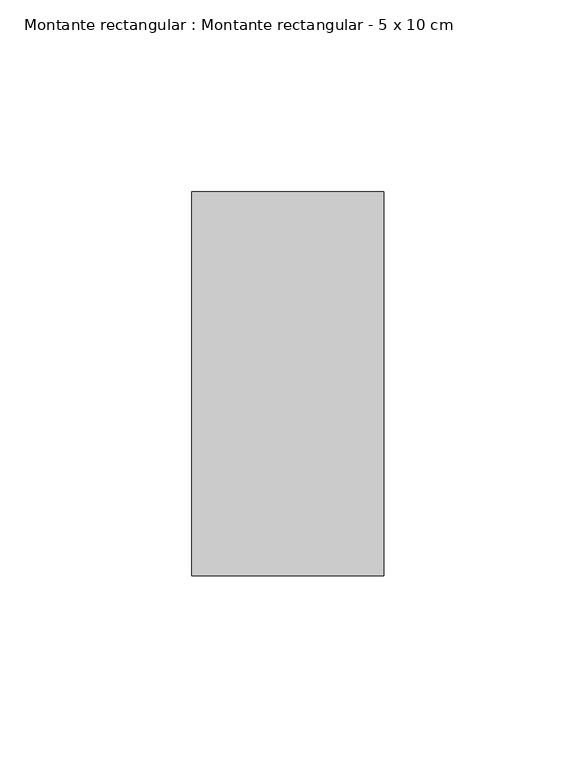
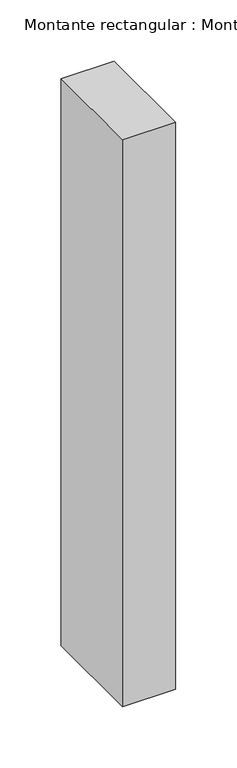
"""IFC4 building model written with IfcOpenShell, lengths in millimetres: member geometry, Montante rectangular : Montante rectangular - 5 x 10 cm."""

import ifcopenshell
import ifcopenshell.guid

model = None  # the IFC model being written
_history = None  # IfcOwnerHistory: only IFC2X3 demands one
_inside = {}  # id of a spatial element -> (the spatial element, [elements in it])
_under = {}  # id of a project, library or spatial element -> (it, [spatial elements below it])
_declared = {}  # id of a project -> (the project, [libraries it declares])
_typed = {}  # id of a type object -> (the type object, [elements of that type])
_made_of = {}  # id of a material, layer set ... -> (it, [elements and type objects made of it])


def new_model(schema):
    """Start an empty IFC model of exactly this schema.

    Asked for "IFC4X3", IfcOpenShell would pick the latest addendum, in which some entities
    have other attributes; the version numbers below select the first issue.
    IFC2X3 requires an IfcOwnerHistory on every rooted entity: one is made here for all.
    """
    global model, _history
    if schema == "IFC4X3":
        model = ifcopenshell.file(schema_version=(4, 3, 0, 0))
    else:
        model = ifcopenshell.file(schema=schema)
    _inside.clear()
    _under.clear()
    _declared.clear()
    _typed.clear()
    _made_of.clear()
    _history = None
    if model.schema == "IFC2X3":
        org = make("IfcOrganization", Name="unknown")
        user = make(
            "IfcPersonAndOrganization",
            ThePerson=make("IfcPerson", FamilyName="unknown"),
            TheOrganization=org,
        )
        app = make(
            "IfcApplication",
            ApplicationDeveloper=org,
            Version="unknown",
            ApplicationFullName="unknown",
            ApplicationIdentifier="unknown",
        )
        _history = make(
            "IfcOwnerHistory",
            OwningUser=user,
            OwningApplication=app,
            ChangeAction="ADDED",
            CreationDate=0,
        )
    return model


def make(cls, **values):
    """One entity of the class cls with the attributes given. An attribute that is None is left unset."""
    return model.create_entity(
        cls, **{name: value for name, value in values.items() if value is not None}
    )


def rooted(cls, **values):
    """An entity with a GlobalId (a new one), such as an element, a storey or a relation."""
    return make(cls, GlobalId=ifcopenshell.guid.new(), OwnerHistory=_history, **values)


def si_unit(unit_type, name, prefix=None):
    """IfcSIUnit, for example si_unit("LENGTHUNIT", "METRE", prefix="MILLI")."""
    return make("IfcSIUnit", UnitType=unit_type, Prefix=prefix, Name=name)


def assignment(units):
    """IfcUnitAssignment: the units of a project."""
    return None if units is None else make("IfcUnitAssignment", Units=units)


def point(xyz):
    """IfcCartesianPoint."""
    return None if xyz is None else make("IfcCartesianPoint", Coordinates=xyz)


def direction(xyz):
    """IfcDirection."""
    return None if xyz is None else make("IfcDirection", DirectionRatios=xyz)


def frame(location, z_axis=None, x_axis=None):
    """IfcAxis2Placement3D, a coordinate frame: its origin and axes. An axis left out is left unset."""
    return make(
        "IfcAxis2Placement3D",
        Location=point(location),
        Axis=direction(z_axis),
        RefDirection=direction(x_axis),
    )


def origin():
    """The frame at (0, 0, 0) with its axes left unset."""
    return frame((0.0, 0.0, 0.0))


def place(relative_to, where):
    """IfcLocalPlacement: puts the frame where relative to a parent placement (None: the world)."""
    return make(
        "IfcLocalPlacement", PlacementRelTo=relative_to, RelativePlacement=where
    )


def context(
    kind, dimensions, precision=None, world=None, true_north=None, identifier=None
):
    """IfcGeometricRepresentationContext, for example the 3D "Model" context."""
    return make(
        "IfcGeometricRepresentationContext",
        ContextIdentifier=identifier,
        ContextType=kind,
        CoordinateSpaceDimension=dimensions,
        Precision=precision,
        WorldCoordinateSystem=world,
        TrueNorth=true_north,
    )


def project(units=None, contexts=None):
    """IfcProject with its units and contexts."""
    return rooted(
        "IfcProject",
        Name="project",
        RepresentationContexts=contexts,
        UnitsInContext=assignment(units),
    )


def spatial(cls, under=None, at=None, **own):
    """A site, building, storey or space (cls), placed at a placement, below another one or the project."""
    s = rooted(cls, ObjectPlacement=at, **own)
    if under is not None:
        _under.setdefault(under.id(), (under, []))[1].append(s)
    return s


def polyline(points):
    """IfcPolyline through the points."""
    return make("IfcPolyline", Points=[point(p) for p in points])


def outline(outer, holes=None, kind="AREA"):
    """IfcArbitraryClosedProfileDef: a profile drawn as a closed curve; with holes, ...WithVoids."""
    if holes is None:
        return make("IfcArbitraryClosedProfileDef", ProfileType=kind, OuterCurve=outer)
    return make(
        "IfcArbitraryProfileDefWithVoids",
        ProfileType=kind,
        OuterCurve=outer,
        InnerCurves=holes,
    )


def extrude(swept, where, along, depth):
    """IfcExtrudedAreaSolid: the profile swept, set in the frame where, extruded along a direction by depth."""
    return make(
        "IfcExtrudedAreaSolid",
        SweptArea=swept,
        Position=where,
        ExtrudedDirection=direction(along),
        Depth=depth,
    )


def shape(context_of_items, identifier, shape_type, items):
    """IfcShapeRepresentation: the items that make up one representation, for example the "Body"."""
    return make(
        "IfcShapeRepresentation",
        ContextOfItems=context_of_items,
        RepresentationIdentifier=identifier,
        RepresentationType=shape_type,
        Items=items,
    )


def source(mapping_origin, context_of_items, identifier, shape_type, items):
    """IfcRepresentationMap: a shape defined once, which mapped items show again and again."""
    return make(
        "IfcRepresentationMap",
        MappingOrigin=mapping_origin,
        MappedRepresentation=shape(context_of_items, identifier, shape_type, items),
    )


def transform(
    local_origin,
    x_axis=None,
    y_axis=None,
    z_axis=None,
    scale=None,
    scale2=None,
    scale3=None,
    uniform=True,
):
    """IfcCartesianTransformationOperator3D, or its non-uniform kind. x_axis, y_axis, z_axis: its Axis1, 2, 3."""
    if uniform:
        return make(
            "IfcCartesianTransformationOperator3D",
            Axis1=direction(x_axis),
            Axis2=direction(y_axis),
            LocalOrigin=point(local_origin),
            Scale=scale,
            Axis3=direction(z_axis),
        )
    return make(
        "IfcCartesianTransformationOperator3DnonUniform",
        Axis1=direction(x_axis),
        Axis2=direction(y_axis),
        LocalOrigin=point(local_origin),
        Scale=scale,
        Axis3=direction(z_axis),
        Scale2=scale2,
        Scale3=scale3,
    )


def mapped(mapping_source, mapping_target):
    """IfcMappedItem: shows the shape of a source again, moved by a transform."""
    return make(
        "IfcMappedItem", MappingSource=mapping_source, MappingTarget=mapping_target
    )


def made_of(thing, what):
    """Note that an element or type object is made of a material, layer set ...; save() writes the relation."""
    if what is not None:
        _made_of.setdefault(what.id(), (what, []))[1].append(thing)
    return thing


def element(
    cls,
    number,
    at=None,
    inside=None,
    cuts=None,
    type_object=None,
    material=None,
    context=None,
    identifier="Body",
    shape_type=None,
    held_by="IfcProductDefinitionShape",
    body=None,
    shapes=None,
    **own,
):
    """One element of the class cls, such as IfcWall. Its Tag is "e" and its number.

    at: its placement. inside: the storey or other place that contains it. cuts: it is an
    opening in that element (IfcRelVoidsElement). A single representation is given by context,
    identifier, shape_type and body (its items); several are given by shapes. held_by: the class
    of the entity that holds the representations. save() writes the other relations.
    """
    e = rooted(cls, Tag="e%d" % number, ObjectPlacement=at, **own)
    if body is not None:
        shapes = [shape(context, identifier, shape_type, body)]
    if shapes is not None:
        e.Representation = make(held_by, Representations=shapes)
    if inside is not None:
        _inside.setdefault(inside.id(), (inside, []))[1].append(e)
    if cuts is not None:
        rooted(
            "IfcRelVoidsElement", RelatingBuildingElement=cuts, RelatedOpeningElement=e
        )
    if type_object is not None:
        _typed.setdefault(type_object.id(), (type_object, []))[1].append(e)
    return made_of(e, material)


def aggregate(whole, parts):
    """IfcRelAggregates: a whole, such as a stair, and the parts it consists of."""
    return rooted("IfcRelAggregates", RelatingObject=whole, RelatedObjects=parts)


def save(model, path):
    """Write the relations noted so far, then the file.

    IfcRelAggregates (storeys below a building ...), IfcRelContainedInSpatialStructure (elements
    in a storey), IfcRelDefinesByType, IfcRelAssociatesMaterial and IfcRelDeclares: one each for
    every whole, place, type object, material and project.
    """
    for whole, parts in _under.values():
        aggregate(whole, parts)
    for where, things in _inside.values():
        rooted(
            "IfcRelContainedInSpatialStructure",
            RelatedElements=things,
            RelatingStructure=where,
        )
    for kind, things in _typed.values():
        rooted("IfcRelDefinesByType", RelatedObjects=things, RelatingType=kind)
    for what, things in _made_of.values():
        rooted("IfcRelAssociatesMaterial", RelatedObjects=things, RelatingMaterial=what)
    for by, libraries in _declared.values():
        rooted("IfcRelDeclares", RelatingContext=by, RelatedDefinitions=libraries)
    model.write(path)


def montante_rectangular_montante_rectangular_5_x_10_cm_6dbea2fb(model_context):
    return source(origin(), model_context, "Body", "SweptSolid", [
        extrude(outline(polyline([(0.0, 50.0), (0.0, -50.0), (-50.0, -50.0), (-50.0, 50.0), (0.0, 50.0)])), frame((0.0, 0.0, -564.0), z_axis=(0.0, 0.0, 1.0), x_axis=(1.0, 0.0, 0.0)), (0.0, 0.0, 1.0), 564.0),
    ])


if __name__ == "__main__":
    model = new_model("IFC4")
    model_context = context("Model", 3, world=origin())
    ifc_project = project(units=[si_unit("LENGTHUNIT", "METRE", prefix="MILLI")], contexts=[model_context])
    site = spatial("IfcSite", under=ifc_project)
    building = spatial("IfcBuilding", under=site)
    placement = place(None, origin())
    montante_rectangular_montante_rectangular_5_x_10_cm_shape = montante_rectangular_montante_rectangular_5_x_10_cm_6dbea2fb(model_context)
    element("IfcMember", 1, ObjectType="Montante rectangular : Montante rectangular - 5 x 10 cm", at=placement, inside=building, context=model_context, shape_type="MappedRepresentation", body=[
        mapped(montante_rectangular_montante_rectangular_5_x_10_cm_shape, transform((0.0, 0.0, 0.0), x_axis=(1.0, 0.0, 0.0), y_axis=(0.0, 1.0, 0.0), z_axis=(0.0, 0.0, 1.0))),
    ])
    save(model, "model.ifc")
